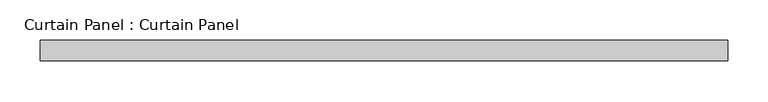
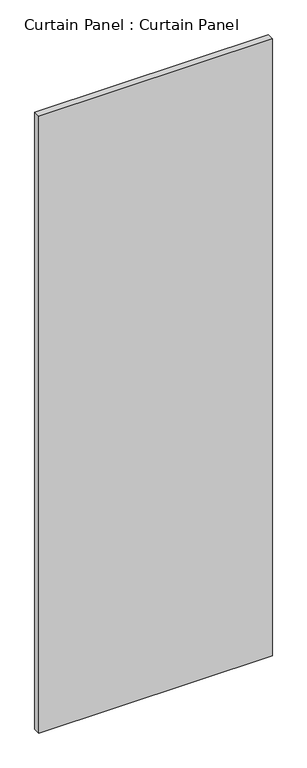
"""IFC4 building model written with IfcOpenShell, lengths in millimetres: plate geometry, Curtain Panel : Curtain Panel."""

from ifc_helpers import new_model, si_unit, frame, origin, place, context, project, spatial, polyline, outline, extrude, source, transform, mapped, element, save


def curtain_panel_curtain_panel_5462d9bf(model_context):
    return source(origin(), model_context, "Body", "SweptSolid", [
        extrude(outline(polyline([(-170178.3830404, 7403.2117994), (-171029.2830404, 7403.2117994), (-171029.2830404, 7428.6117994), (-170178.3830404, 7428.6117994), (-170178.3830404, 7403.2117994)])), frame((0.0, 0.0, 46.0375), z_axis=(0.0, 0.0, 1.0), x_axis=(1.0, 0.0, 0.0)), (0.0, 0.0, 1.0), 2374.9),
    ])


if __name__ == "__main__":
    model = new_model("IFC4")
    model_context = context("Model", 3, world=origin())
    ifc_project = project(units=[si_unit("LENGTHUNIT", "METRE", prefix="MILLI")], contexts=[model_context])
    site = spatial("IfcSite", under=ifc_project)
    building = spatial("IfcBuilding", under=site)
    placement = place(None, origin())
    curtain_panel_curtain_panel_shape = curtain_panel_curtain_panel_5462d9bf(model_context)
    element("IfcPlate", 1, ObjectType="Curtain Panel : Curtain Panel", at=placement, inside=building, context=model_context, shape_type="MappedRepresentation", body=[
        mapped(curtain_panel_curtain_panel_shape, transform((0.0, 0.0, 0.0), x_axis=(1.0, 0.0, 0.0), y_axis=(0.0, 1.0, 0.0), z_axis=(0.0, 0.0, 1.0))),
    ])
    save(model, "model.ifc")
